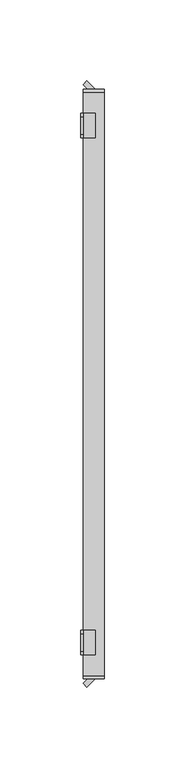
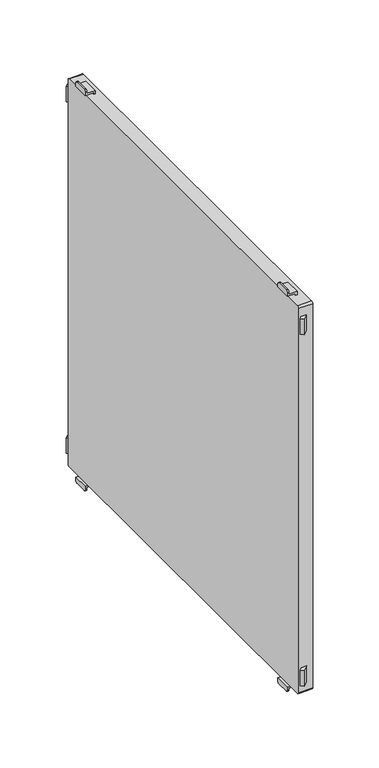
"""IFC4 building model written with IfcOpenShell, lengths in millimetres: furniture geometry."""

from ifc_helpers import new_model, si_unit, point, frame, frame_2d, origin, place, context, project, spatial, polyline, circle_curve, trimmed, segment, composite_curve, outline, extrude, source, transform, mapped, element, save
from ifc_brep_helpers import plane_surface, cylinder_surface, advanced_brep


def furniture_5afeaaaa(model_context):
    return source(origin(), model_context, "Body", "SolidModel", [
        advanced_brep(
        [(-197.0, 152.5, 115.5), (-197.0, 154.5, 113.5), (-197.0, 165.5, 113.5), (-197.0, 167.5, 115.5), (-197.0, 167.5, 117.0), (-197.0, 152.5, 117.0), (-198.5, 152.5, 118.5), (-198.5, 167.5, 118.5), (-198.5, 167.5, 115.5), (-198.5, 165.5, 113.5), (-198.5, 154.5, 113.5), (-198.5, 152.5, 115.5), (-189.5011497, 152.5, 117.0), (-189.5011497, 152.5, 120.0), (-191.0011497, 152.5, 120.0), (-191.0011497, 152.5, 118.5), (-191.0011497, 167.5, 118.5), (-191.0011497, 167.5, 120.0), (-189.5011497, 167.5, 120.0), (-189.5011497, 167.5, 117.0)],
        [
            (0, 1, circle_curve(frame((-197.0, 154.5, 115.5), z_axis=(1.0, 0.0, 0.0), x_axis=(0.0, 1.0, 0.0)), 2.0)),
            (1, 2),
            (2, 3, circle_curve(frame((-197.0, 165.5, 115.5), z_axis=(1.0, 0.0, 0.0), x_axis=(0.0, 1.0, 0.0)), 2.0)),
            (3, 4),
            (4, 5),
            (5, 0),
            (6, 7),
            (7, 8),
            (8, 9, circle_curve(frame((-198.5, 165.5, 115.5), z_axis=(-1.0, 0.0, 0.0), x_axis=(0.0, 1.0, 0.0)), 2.0)),
            (9, 10),
            (10, 11, circle_curve(frame((-198.5, 154.5, 115.5), z_axis=(-1.0, 0.0, 0.0), x_axis=(0.0, 1.0, 0.0)), 2.0)),
            (11, 6),
            (11, 0),
            (5, 12),
            (12, 13),
            (13, 14),
            (14, 15),
            (15, 6),
            (10, 1),
            (9, 2),
            (8, 3),
            (7, 16),
            (16, 17),
            (17, 18),
            (18, 19),
            (19, 4),
            (15, 16),
            (12, 19),
            (18, 13),
            (17, 14),
        ],
        [
            plane_surface(frame((-197.0, 152.5, 117.0), z_axis=(1.0, 0.0, 0.0), x_axis=(0.0, 0.0, -1.0))),
            plane_surface(frame((-198.5, 152.5, 117.0), z_axis=(-1.0, 0.0, 0.0), x_axis=(0.0, 0.0, 1.0))),
            plane_surface(frame((-197.0, 152.5, 118.5), z_axis=(0.0, -1.0, 0.0), x_axis=(-1.0, 0.0, 0.0))),
            cylinder_surface(frame((-198.5, 154.5, 115.5), z_axis=(1.0, 0.0, 0.0), x_axis=(0.0, 1.0, 0.0)), 2.0),
            plane_surface(frame((-197.0, 154.5, 113.5), z_axis=(0.0, 0.0, -1.0), x_axis=(-1.0, 0.0, 0.0))),
            cylinder_surface(frame((-198.5, 165.5, 115.5), z_axis=(1.0, 0.0, 0.0), x_axis=(0.0, 1.0, 0.0)), 2.0),
            plane_surface(frame((-197.0, 167.5, 115.5), z_axis=(0.0, 1.0, 0.0), x_axis=(-1.0, 0.0, 0.0))),
            plane_surface(frame((-197.0, 167.5, 118.5), z_axis=(0.0, 0.0, 1.0), x_axis=(-1.0, 0.0, 0.0))),
            plane_surface(frame((-189.5011497, 152.5, 117.0), z_axis=(1.0, 0.0, 0.0), x_axis=(0.0, 1.0, 0.0))),
            plane_surface(frame((-189.5011497, 152.5, 120.0), z_axis=(0.0, 0.0, 1.0), x_axis=(0.0, 1.0, 0.0))),
            plane_surface(frame((-191.0011497, 152.5, 120.0), z_axis=(-1.0, 0.0, 0.0), x_axis=(0.0, 1.0, 0.0))),
            plane_surface(frame((-197.0, 152.5, 117.0), z_axis=(0.0, 0.0, -1.0), x_axis=(0.0, 1.0, 0.0))),
        ],
        [
            (0, [[1, 2, 3, 4, 5, 6]]),
            (1, [[7, 8, 9, 10, 11, 12]]),
            (2, [[-12, 13, -6, 14, 15, 16, 17, 18]]),
            (3, [[-1, -13, -11, 19]]),
            (4, [[-2, -19, -10, 20]]),
            (5, [[-3, -20, -9, 21]]),
            (6, [[-8, 22, 23, 24, 25, 26, -4, -21]]),
            (7, [[-22, -7, -18, 27]]),
            (8, [[-15, 28, -25, 29]]),
            (9, [[-16, -29, -24, 30]]),
            (10, [[-17, -30, -23, -27]]),
            (11, [[-14, -5, -26, -28]]),
        ],
    ),
        advanced_brep(
        [(-197.0, -167.5, 115.5), (-197.0, -165.5, 113.5), (-197.0, -154.5, 113.5), (-197.0, -152.5, 115.5), (-197.0, -152.5, 117.0), (-197.0, -167.5, 117.0), (-198.5, -152.5, 118.5), (-198.5, -152.5, 115.5), (-198.5, -154.5, 113.5), (-198.5, -165.5, 113.5), (-198.5, -167.5, 115.5), (-198.5, -167.5, 118.5), (-191.0011497, -167.5, 118.5), (-191.0011497, -152.5, 118.5), (-189.5011497, -167.5, 117.0), (-189.5011497, -167.5, 120.0), (-191.0011497, -167.5, 120.0), (-191.0011497, -152.5, 120.0), (-189.5011497, -152.5, 120.0), (-189.5011497, -152.5, 117.0)],
        [
            (0, 1, circle_curve(frame((-197.0, -165.5, 115.5), z_axis=(1.0, 0.0, 0.0), x_axis=(0.0, 1.0, 0.0)), 2.0)),
            (1, 2),
            (2, 3, circle_curve(frame((-197.0, -154.5, 115.5), z_axis=(1.0, 0.0, 0.0), x_axis=(0.0, 1.0, 0.0)), 2.0)),
            (3, 4),
            (4, 5),
            (5, 0),
            (6, 7),
            (7, 8, circle_curve(frame((-198.5, -154.5, 115.5), z_axis=(-1.0, 0.0, 0.0), x_axis=(0.0, 1.0, 0.0)), 2.0)),
            (8, 9),
            (9, 10, circle_curve(frame((-198.5, -165.5, 115.5), z_axis=(-1.0, 0.0, 0.0), x_axis=(0.0, 1.0, 0.0)), 2.0)),
            (10, 11),
            (11, 6),
            (11, 12),
            (12, 13),
            (13, 6),
            (10, 0),
            (5, 14),
            (14, 15),
            (15, 16),
            (16, 12),
            (9, 1),
            (8, 2),
            (7, 3),
            (13, 17),
            (17, 18),
            (18, 19),
            (19, 4),
            (18, 15),
            (14, 19),
            (17, 16),
        ],
        [
            plane_surface(frame((-197.0, 152.5, 117.0), z_axis=(1.0, 0.0, 0.0), x_axis=(0.0, 0.0, -1.0))),
            plane_surface(frame((-198.5, 152.5, 117.0), z_axis=(-1.0, 0.0, 0.0), x_axis=(0.0, 0.0, 1.0))),
            plane_surface(frame((-197.0, -152.5, 118.5), z_axis=(0.0, 0.0, 1.0), x_axis=(-1.0, 0.0, 0.0))),
            plane_surface(frame((-197.0, -167.5, 118.5), z_axis=(0.0, -1.0, 0.0), x_axis=(-1.0, 0.0, 0.0))),
            cylinder_surface(frame((-200.0, -165.5, 115.5), z_axis=(1.0, 0.0, 0.0), x_axis=(0.0, 1.0, 0.0)), 2.0),
            plane_surface(frame((-197.0, -165.5, 113.5), z_axis=(0.0, 0.0, -1.0), x_axis=(-1.0, 0.0, 0.0))),
            cylinder_surface(frame((-200.0, -154.5, 115.5), z_axis=(1.0, 0.0, 0.0), x_axis=(0.0, 1.0, 0.0)), 2.0),
            plane_surface(frame((-197.0, -152.5, 115.5), z_axis=(0.0, 1.0, 0.0), x_axis=(-1.0, 0.0, 0.0))),
            plane_surface(frame((-189.5011497, -152.5, 120.0), z_axis=(1.0, 0.0, 0.0), x_axis=(0.0, -1.0, 0.0))),
            plane_surface(frame((-191.0011497, -152.5, 120.0), z_axis=(0.0, 0.0, 1.0), x_axis=(0.0, -1.0, 0.0))),
            plane_surface(frame((-191.0011497, -152.5, 118.5), z_axis=(-1.0, 0.0, 0.0), x_axis=(0.0, -1.0, 0.0))),
            plane_surface(frame((-189.5011497, -152.5, 117.0), z_axis=(0.0, 0.0, -1.0), x_axis=(0.0, -1.0, 0.0))),
        ],
        [
            (0, [[1, 2, 3, 4, 5, 6]]),
            (1, [[7, 8, 9, 10, 11, 12]]),
            (2, [[-12, 13, 14, 15]]),
            (3, [[-11, 16, -6, 17, 18, 19, 20, -13]]),
            (4, [[-1, -16, -10, 21]]),
            (5, [[-2, -21, -9, 22]]),
            (6, [[-3, -22, -8, 23]]),
            (7, [[-7, -15, 24, 25, 26, 27, -4, -23]]),
            (8, [[-26, 28, -18, 29]]),
            (9, [[-25, 30, -19, -28]]),
            (10, [[-24, -14, -20, -30]]),
            (11, [[-27, -29, -17, -5]]),
        ],
    ),
        advanced_brep(
        [(-197.0, 167.5, 499.5), (-197.0, 165.5, 501.5), (-197.0, 154.5, 501.5), (-197.0, 152.5, 499.5), (-197.0, 152.5, 498.0), (-197.0, 167.5, 498.0), (-198.5, 152.5, 496.5), (-198.5, 152.5, 499.5), (-198.5, 154.5, 501.5), (-198.5, 165.5, 501.5), (-198.5, 167.5, 499.5), (-198.5, 167.5, 496.5), (-189.5011497, 152.5, 498.0), (-191.0011497, 152.5, 496.5), (-191.0011497, 152.5, 495.0), (-189.5011497, 152.5, 495.0), (-189.5011497, 167.5, 498.0), (-189.5011497, 167.5, 495.0), (-191.0011497, 167.5, 495.0), (-191.0011497, 167.5, 496.5)],
        [
            (0, 1, circle_curve(frame((-197.0, 165.5, 499.5), z_axis=(1.0, 0.0, 0.0), x_axis=(0.0, 1.0, 0.0)), 2.0)),
            (1, 2),
            (2, 3, circle_curve(frame((-197.0, 154.5, 499.5), z_axis=(1.0, 0.0, 0.0), x_axis=(0.0, 1.0, 0.0)), 2.0)),
            (3, 4),
            (4, 5),
            (5, 0),
            (6, 7),
            (7, 8, circle_curve(frame((-198.5, 154.5, 499.5), z_axis=(-1.0, 0.0, 0.0), x_axis=(0.0, 1.0, 0.0)), 2.0)),
            (8, 9),
            (9, 10, circle_curve(frame((-198.5, 165.5, 499.5), z_axis=(-1.0, 0.0, 0.0), x_axis=(0.0, 1.0, 0.0)), 2.0)),
            (10, 11),
            (11, 6),
            (12, 4),
            (3, 7),
            (6, 13),
            (13, 14),
            (14, 15),
            (15, 12),
            (16, 17),
            (17, 18),
            (18, 19),
            (19, 11),
            (10, 0),
            (5, 16),
            (19, 13),
            (9, 1),
            (8, 2),
            (12, 16),
            (18, 14),
            (17, 15),
        ],
        [
            plane_surface(frame((-197.0, 152.5, 117.0), z_axis=(1.0, 0.0, 0.0), x_axis=(0.0, 0.0, -1.0))),
            plane_surface(frame((-198.5, 152.5, 117.0), z_axis=(-1.0, 0.0, 0.0), x_axis=(0.0, 0.0, 1.0))),
            plane_surface(frame((-197.0, 152.5, 118.5), z_axis=(0.0, -1.0, 0.0), x_axis=(-1.0, 0.0, 0.0))),
            plane_surface(frame((-197.0, 167.5, 115.5), z_axis=(0.0, 1.0, 0.0), x_axis=(-1.0, 0.0, 0.0))),
            plane_surface(frame((-197.0, 152.5, 496.5), z_axis=(0.0, 0.0, -1.0), x_axis=(-1.0, 0.0, 0.0))),
            cylinder_surface(frame((-200.0, 165.5, 499.5), z_axis=(1.0, 0.0, 0.0), x_axis=(0.0, 1.0, 0.0)), 2.0),
            plane_surface(frame((-197.0, 165.5, 501.5), z_axis=(0.0, 0.0, 1.0), x_axis=(-1.0, 0.0, 0.0))),
            cylinder_surface(frame((-200.0, 154.5, 499.5), z_axis=(1.0, 0.0, 0.0), x_axis=(0.0, 1.0, 0.0)), 2.0),
            plane_surface(frame((-189.5011497, 152.5, 498.0), z_axis=(0.0, 0.0, 1.0), x_axis=(0.0, 1.0, 0.0))),
            plane_surface(frame((-191.0011497, 152.5, 496.5), z_axis=(-1.0, 0.0, 0.0), x_axis=(0.0, 1.0, 0.0))),
            plane_surface(frame((-191.0011497, 152.5, 495.0), z_axis=(0.0, 0.0, -1.0), x_axis=(0.0, 1.0, 0.0))),
            plane_surface(frame((-189.5011497, 152.5, 495.0), z_axis=(1.0, 0.0, 0.0), x_axis=(0.0, 1.0, 0.0))),
        ],
        [
            (0, [[1, 2, 3, 4, 5, 6]]),
            (1, [[7, 8, 9, 10, 11, 12]]),
            (2, [[13, -4, 14, -7, 15, 16, 17, 18]]),
            (3, [[19, 20, 21, 22, -11, 23, -6, 24]]),
            (4, [[-15, -12, -22, 25]]),
            (5, [[-1, -23, -10, 26]]),
            (6, [[-2, -26, -9, 27]]),
            (7, [[-3, -27, -8, -14]]),
            (8, [[-13, 28, -24, -5]]),
            (9, [[-16, -25, -21, 29]]),
            (10, [[-17, -29, -20, 30]]),
            (11, [[-18, -30, -19, -28]]),
        ],
    ),
        advanced_brep(
        [(-197.0, -152.5, 499.5), (-197.0, -154.5, 501.5), (-197.0, -165.5, 501.5), (-197.0, -167.5, 499.5), (-197.0, -167.5, 498.0), (-197.0, -152.5, 498.0), (-198.5, -152.5, 496.5), (-198.5, -167.5, 496.5), (-198.5, -167.5, 499.5), (-198.5, -165.5, 501.5), (-198.5, -154.5, 501.5), (-198.5, -152.5, 499.5), (-191.0011497, -167.5, 496.5), (-191.0011497, -167.5, 495.0), (-189.5011497, -167.5, 495.0), (-189.5011497, -167.5, 498.0), (-189.5011497, -152.5, 498.0), (-189.5011497, -152.5, 495.0), (-191.0011497, -152.5, 495.0), (-191.0011497, -152.5, 496.5)],
        [
            (0, 1, circle_curve(frame((-197.0, -154.5, 499.5), z_axis=(1.0, 0.0, 0.0), x_axis=(0.0, 1.0, 0.0)), 2.0)),
            (1, 2),
            (2, 3, circle_curve(frame((-197.0, -165.5, 499.5), z_axis=(1.0, 0.0, 0.0), x_axis=(0.0, 1.0, 0.0)), 2.0)),
            (3, 4),
            (4, 5),
            (5, 0),
            (6, 7),
            (7, 8),
            (8, 9, circle_curve(frame((-198.5, -165.5, 499.5), z_axis=(-1.0, 0.0, 0.0), x_axis=(0.0, 1.0, 0.0)), 2.0)),
            (9, 10),
            (10, 11, circle_curve(frame((-198.5, -154.5, 499.5), z_axis=(-1.0, 0.0, 0.0), x_axis=(0.0, 1.0, 0.0)), 2.0)),
            (11, 6),
            (7, 12),
            (12, 13),
            (13, 14),
            (14, 15),
            (15, 4),
            (3, 8),
            (11, 0),
            (5, 16),
            (16, 17),
            (17, 18),
            (18, 19),
            (19, 6),
            (10, 1),
            (9, 2),
            (19, 12),
            (15, 16),
            (18, 13),
            (17, 14),
        ],
        [
            plane_surface(frame((-197.0, 152.5, 117.0), z_axis=(1.0, 0.0, 0.0), x_axis=(0.0, 0.0, -1.0))),
            plane_surface(frame((-198.5, 152.5, 117.0), z_axis=(-1.0, 0.0, 0.0), x_axis=(0.0, 0.0, 1.0))),
            plane_surface(frame((-197.0, -167.5, 118.5), z_axis=(0.0, -1.0, 0.0), x_axis=(-1.0, 0.0, 0.0))),
            plane_surface(frame((-197.0, -152.5, 115.5), z_axis=(0.0, 1.0, 0.0), x_axis=(-1.0, 0.0, 0.0))),
            cylinder_surface(frame((-200.0, -154.5, 499.5), z_axis=(1.0, 0.0, 0.0), x_axis=(0.0, 1.0, 0.0)), 2.0),
            plane_surface(frame((-197.0, -154.5, 501.5), z_axis=(0.0, 0.0, 1.0), x_axis=(-1.0, 0.0, 0.0))),
            cylinder_surface(frame((-200.0, -165.5, 499.5), z_axis=(1.0, 0.0, 0.0), x_axis=(0.0, 1.0, 0.0)), 2.0),
            plane_surface(frame((-197.0, -167.5, 496.5), z_axis=(0.0, 0.0, -1.0), x_axis=(-1.0, 0.0, 0.0))),
            plane_surface(frame((-197.0, -152.5, 498.0), z_axis=(0.0, 0.0, 1.0), x_axis=(0.0, -1.0, 0.0))),
            plane_surface(frame((-191.0011497, -152.5, 495.0), z_axis=(-1.0, 0.0, 0.0), x_axis=(0.0, -1.0, 0.0))),
            plane_surface(frame((-189.5011497, -152.5, 495.0), z_axis=(0.0, 0.0, -1.0), x_axis=(0.0, -1.0, 0.0))),
            plane_surface(frame((-189.5011497, -152.5, 498.0), z_axis=(1.0, 0.0, 0.0), x_axis=(0.0, -1.0, 0.0))),
        ],
        [
            (0, [[1, 2, 3, 4, 5, 6]]),
            (1, [[7, 8, 9, 10, 11, 12]]),
            (2, [[-8, 13, 14, 15, 16, 17, -4, 18]]),
            (3, [[-12, 19, -6, 20, 21, 22, 23, 24]]),
            (4, [[-1, -19, -11, 25]]),
            (5, [[-2, -25, -10, 26]]),
            (6, [[-3, -26, -9, -18]]),
            (7, [[-7, -24, 27, -13]]),
            (8, [[-20, -5, -17, 28]]),
            (9, [[-23, 29, -14, -27]]),
            (10, [[-22, 30, -15, -29]]),
            (11, [[-21, -28, -16, -30]]),
        ],
    ),
        extrude(outline(polyline([(-197.0, -185.3223305), (-194.1776695, -182.5), (-189.5011497, -182.5), (-194.6617401, -187.6605904), (-197.0, -185.3223305)])), frame((0.0, 0.0, 130.0), z_axis=(0.0, 0.0, 1.0), x_axis=(1.0, 0.0, 0.0)), (0.0, 0.0, 1.0), 15.0),
        extrude(outline(polyline([(-197.0, 185.3223305), (-194.6617401, 187.6605904), (-189.5011497, 182.5), (-194.1776695, 182.5), (-197.0, 185.3223305)])), frame((0.0, 0.0, 130.0), z_axis=(0.0, 0.0, 1.0), x_axis=(1.0, 0.0, 0.0)), (0.0, 0.0, 1.0), 15.0),
        extrude(outline(composite_curve([segment(polyline([(182.5, 493.2), (182.5, 121.8)]), True, "CONTINUOUS"), segment(trimmed(circle_curve(frame_2d((180.7, 121.8)), 1.8), [point((182.5, 121.8))], [point((180.7, 120.0))], False, "CARTESIAN"), True, "CONTINUOUS"), segment(polyline([(180.7, 120.0), (-180.7, 120.0)]), True, "CONTINUOUS"), segment(trimmed(circle_curve(frame_2d((-180.7, 121.8)), 1.8), [point((-180.7, 120.0))], [point((-182.5, 121.8))], False, "CARTESIAN"), True, "CONTINUOUS"), segment(polyline([(-182.5, 121.8), (-182.5, 493.2)]), True, "CONTINUOUS"), segment(trimmed(circle_curve(frame_2d((-180.7, 493.2)), 1.8), [point((-182.5, 493.2))], [point((-180.7, 495.0))], False, "CARTESIAN"), True, "CONTINUOUS"), segment(polyline([(-180.7, 495.0), (180.7, 495.0)]), True, "CONTINUOUS"), segment(trimmed(circle_curve(frame_2d((180.7, 493.2)), 1.8), [point((180.7, 495.0))], [point((182.5, 493.2))], False, "CARTESIAN"), True, "CONTINUOUS")], self_intersect=False)), frame((-197.0, 0.0, 0.0), z_axis=(1.0, 0.0, 0.0), x_axis=(0.0, 1.0, 0.0)), (0.0, 0.0, 1.0), 13.000205),
        extrude(outline(polyline([(-197.0, -185.3223305), (-194.1776695, -182.5), (-189.5011497, -182.5), (-194.6617401, -187.6605904), (-197.0, -185.3223305)])), frame((0.0, 0.0, 470.0), z_axis=(0.0, 0.0, 1.0), x_axis=(1.0, 0.0, 0.0)), (0.0, 0.0, 1.0), 15.0),
        extrude(outline(polyline([(-197.0, 185.3223305), (-194.6617401, 187.6605904), (-189.5011497, 182.5), (-194.1776695, 182.5), (-197.0, 185.3223305)])), frame((0.0, 0.0, 470.0), z_axis=(0.0, 0.0, 1.0), x_axis=(1.0, 0.0, 0.0)), (0.0, 0.0, 1.0), 15.0),
    ])


if __name__ == "__main__":
    model = new_model("IFC4")
    model_context = context("Model", 3, world=origin())
    ifc_project = project(units=[si_unit("LENGTHUNIT", "METRE", prefix="MILLI")], contexts=[model_context])
    site = spatial("IfcSite", under=ifc_project)
    building = spatial("IfcBuilding", under=site)
    placement = place(None, origin())
    furniture_shape = furniture_5afeaaaa(model_context)
    element("IfcFurniture", 1, at=placement, inside=building, context=model_context, shape_type="MappedRepresentation", body=[
        mapped(furniture_shape, transform((0.0, 0.0, 0.0), x_axis=(1.0, 0.0, 0.0), y_axis=(0.0, 1.0, 0.0), z_axis=(0.0, 0.0, 1.0))),
    ])
    save(model, "model.ifc")
